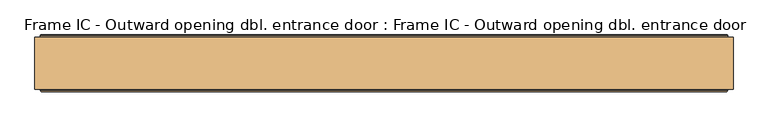
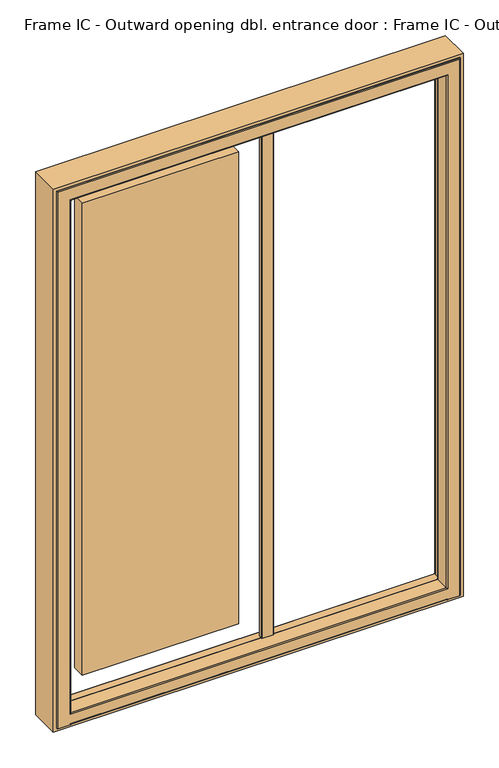
"""IFC4 building model written with IfcOpenShell, lengths in millimetres: door geometry, Frame IC - Outward opening dbl. entrance door : Frame IC - Outward opening dbl. entrance door."""

from ifc_helpers import new_model, si_unit, point, frame, frame_2d, origin, place, context, project, spatial, polyline, circle_curve, ellipse_curve, trimmed, segment, composite_curve, outline, extrude, source, transform, mapped, element, save
from ifc_brep_helpers import plane_surface, cylinder_surface, revolved_surface, advanced_brep


def frame_ic_outward_opening_dbl_entrance_door_frame_ic_outward_d2e0d022(model_context):
    return source(origin(), model_context, "Body", "SolidModel", [
        extrude(outline(polyline([(-189.8540715, 133.0110098), (-762.1459285, 133.0110098), (-762.1459285, 181.0110098), (-189.8540715, 181.0110098), (-189.8540715, 133.0110098)])), frame((0.0, 0.0, 137.8540715), z_axis=(0.0, 0.0, 1.0), x_axis=(1.0, 0.0, 0.0)), (0.0, 0.0, 1.0), 1824.291857),
        extrude(outline(polyline([(2100.0, -900.0), (0.0, -900.0), (0.0, 600.0), (2100.0, 600.0), (2100.0, -900.0)]), holes=[polyline([(2088.0, 588.0), (12.0, 588.0), (12.0, -888.0), (2088.0, -888.0), (2088.0, 588.0)])]), frame((0.0, 77.0, 0.0), z_axis=(0.0, 1.0, 0.0), x_axis=(0.0, 0.0, 1.0)), (0.0, 0.0, 1.0), 112.0),
        extrude(outline(composite_curve([segment(polyline([(-71.9811344, 116.0), (-111.9913987, 116.0)]), True, "CONTINUOUS"), segment(trimmed(circle_curve(frame_2d((-111.9913987, 117.9897357)), 1.9897356), [point((-111.9913987, 116.0))], [point((-113.9811344, 117.9897357))], False, "CARTESIAN"), True, "CONTINUOUS"), segment(polyline([(-113.9811344, 117.9897357), (-113.9811344, 131.0), (-69.9811344, 131.0), (-69.9811344, 118.0)]), True, "CONTINUOUS"), segment(trimmed(circle_curve(frame_2d((-71.9811344, 118.0)), 2.0), [point((-69.9811344, 118.0))], [point((-71.9811344, 116.0))], False, "CARTESIAN"), True, "CONTINUOUS")], self_intersect=False)), frame((0.0, 0.0, 64.4437146), z_axis=(0.0, 0.0, 1.0), x_axis=(1.0, 0.0, 0.0)), (0.0, 0.0, 1.0), 1970.0562854),
        advanced_brep(
        [(562.7857488, 186.453125, 12.0), (563.6, 186.453125, 12.0), (563.6, 193.0, 12.0), (564.6, 194.0, 12.0), (587.0, 194.0, 12.0), (588.0, 193.0, 12.0), (588.0, 75.0, 12.0), (585.0, 72.0, 12.0), (541.0, 72.0, 12.0), (538.0, 75.0, 12.0), (-838.0, 75.0, 12.0), (-841.0, 72.0, 12.0), (-885.0, 72.0, 12.0), (-888.0, 75.0, 12.0), (-888.0, 193.0, 12.0), (-887.0, 194.0, 12.0), (-864.6, 194.0, 12.0), (-863.6, 193.0, 12.0), (-863.6, 186.453125, 12.0), (-862.7857488, 186.453125, 12.0), (-862.7857488, 191.0, 12.0), (562.7857488, 191.0, 12.0), (562.7857488, 186.453125, 31.1912124), (562.7857488, 186.453125, 2062.7857488), (-862.7857488, 186.453125, 2062.7857488), (-862.7857488, 186.453125, 31.1912124), (-863.6, 186.453125, 2063.6), (563.6, 186.453125, 2063.6), (563.6, 193.0, 2063.6), (564.6, 194.0, 2064.6), (-864.6, 194.0, 2064.6), (-887.0, 194.0, 2087.0), (587.0, 194.0, 2087.0), (588.0, 193.0, 2088.0), (588.0, 75.0, 2088.0), (585.0, 72.0, 2085.0), (-885.0, 72.0, 2085.0), (-841.0, 72.0, 15.0), (541.0, 72.0, 15.0), (541.0, 72.0, 2041.0), (541.0, 72.0, 53.0), (-841.0, 72.0, 53.0), (-841.0, 72.0, 2041.0), (538.0, 75.0, 2038.0), (538.0, 75.0, 56.0), (-838.0, 75.0, 2038.0), (-838.0, 75.0, 56.0), (-888.0, 75.0, 2088.0), (-888.0, 193.0, 2088.0), (-863.6, 193.0, 2063.6), (-862.7857488, 191.365608, 30.5880353), (-862.7857488, 194.0, 27.6103969), (-862.7857488, 194.0, 15.0), (562.7857488, 194.0, 15.0), (562.7857488, 194.0, 27.6103969), (562.7857488, 191.365608, 30.5880353), (-854.6498733, 131.0, 2054.6498733), (554.6498733, 131.0, 2054.6498733), (554.6498733, 131.0, 39.3270879), (-854.6498733, 131.0, 39.3270879), (539.5, 131.0, 2039.5), (-839.5, 131.0, 2039.5), (-839.5, 131.0, 54.5), (539.5, 131.0, 54.5), (538.0, 129.5, 2038.0), (538.0, 129.5, 56.0), (-838.0, 129.5, 56.0), (-838.0, 129.5, 2038.0), (556.1386925, 132.317196, 2056.1386925), (556.1386925, 132.317196, 37.8382687), (-856.1386925, 132.317196, 37.8382687), (-856.1386925, 132.317196, 2056.1386925)],
        [
            (0, 1),
            (1, 2),
            (2, 3, circle_curve(frame((564.6, 193.0, 12.0), z_axis=(0.0, 0.0, -1.0), x_axis=(-1.0, 0.0, 0.0)), 1.0)),
            (3, 4),
            (4, 5, circle_curve(frame((587.0, 193.0, 12.0), z_axis=(0.0, 0.0, -1.0), x_axis=(-1.0, 0.0, 0.0)), 1.0)),
            (5, 6),
            (6, 7, circle_curve(frame((585.0, 75.0, 12.0), z_axis=(0.0, 0.0, -1.0), x_axis=(-1.0, 0.0, 0.0)), 3.0)),
            (7, 8),
            (8, 9, circle_curve(frame((541.0, 75.0, 12.0), z_axis=(0.0, 0.0, -1.0), x_axis=(-1.0, 0.0, 0.0)), 3.0)),
            (9, 10),
            (10, 11, circle_curve(frame((-841.0, 75.0, 12.0), z_axis=(0.0, 0.0, -1.0), x_axis=(1.0, 0.0, 0.0)), 3.0)),
            (11, 12),
            (12, 13, circle_curve(frame((-885.0, 75.0, 12.0), z_axis=(0.0, 0.0, -1.0), x_axis=(1.0, 0.0, 0.0)), 3.0)),
            (13, 14),
            (14, 15, circle_curve(frame((-887.0, 193.0, 12.0), z_axis=(0.0, 0.0, -1.0), x_axis=(1.0, 0.0, 0.0)), 1.0)),
            (15, 16),
            (16, 17, circle_curve(frame((-864.6, 193.0, 12.0), z_axis=(0.0, 0.0, -1.0), x_axis=(1.0, 0.0, 0.0)), 1.0)),
            (17, 18),
            (18, 19),
            (19, 20),
            (20, 21),
            (21, 0),
            (0, 22),
            (22, 23),
            (23, 24),
            (24, 25),
            (25, 19),
            (18, 26),
            (26, 27),
            (27, 1),
            (27, 28),
            (28, 2),
            (28, 29, ellipse_curve(frame((564.6, 193.0, 2064.6), z_axis=(0.7071067811865475, 0.0, -0.7071067811865475), x_axis=(-0.7071067811865474, 0.0, -0.7071067811865476)), 1.4142136, 1.0)),
            (29, 3),
            (29, 30),
            (30, 16),
            (15, 31),
            (31, 32),
            (32, 4),
            (32, 33, ellipse_curve(frame((587.0, 193.0, 2087.0), z_axis=(0.7071067811865475, 0.0, -0.7071067811865475), x_axis=(-0.7071067811865474, 0.0, -0.7071067811865476)), 1.4142136, 1.0)),
            (33, 5),
            (33, 34),
            (34, 6),
            (34, 35, ellipse_curve(frame((585.0, 75.0, 2085.0), z_axis=(0.7071067811865475, 0.0, -0.7071067811865475), x_axis=(-0.7071067811865474, 0.0, -0.7071067811865476)), 4.2426407, 3.0)),
            (35, 7),
            (35, 36),
            (36, 12),
            (11, 37),
            (37, 38),
            (38, 8),
            (39, 40),
            (40, 41),
            (41, 42),
            (42, 39),
            (38, 9, ellipse_curve(frame((541.0, 75.0, 15.0), z_axis=(0.7071067811865475, 0.0, -0.7071067811865475), x_axis=(-0.7071067811865474, 0.0, -0.7071067811865476)), 4.2426407, 3.0)),
            (39, 43, ellipse_curve(frame((541.0, 75.0, 2041.0), z_axis=(0.7071067811865475, 0.0, -0.7071067811865475), x_axis=(-0.7071067811865474, 0.0, -0.7071067811865476)), 4.2426407, 3.0)),
            (43, 44),
            (44, 40, ellipse_curve(frame((541.0, 75.0, 53.0), z_axis=(0.7071067811865475, 0.0, 0.7071067811865475), x_axis=(0.7071067811865474, 0.0, -0.7071067811865476)), 4.2426407, 3.0)),
            (37, 10, ellipse_curve(frame((-841.0, 75.0, 15.0), z_axis=(0.7071067811865475, 0.0, 0.7071067811865475), x_axis=(-0.7071067811865476, 0.0, 0.7071067811865474)), 4.2426407, 3.0)),
            (45, 42, ellipse_curve(frame((-841.0, 75.0, 2041.0), z_axis=(-0.7071067811865475, 0.0, -0.7071067811865475), x_axis=(-0.7071067811865474, 0.0, 0.7071067811865476)), 4.2426407, 3.0)),
            (41, 46, ellipse_curve(frame((-841.0, 75.0, 53.0), z_axis=(-0.7071067811865475, 0.0, 0.7071067811865475), x_axis=(0.7071067811865474, 0.0, 0.7071067811865476)), 4.2426407, 3.0)),
            (46, 45),
            (36, 47, ellipse_curve(frame((-885.0, 75.0, 2085.0), z_axis=(-0.7071067811865475, 0.0, -0.7071067811865475), x_axis=(-0.7071067811865474, 0.0, 0.7071067811865476)), 4.2426407, 3.0)),
            (47, 13),
            (47, 48),
            (48, 14),
            (48, 31, ellipse_curve(frame((-887.0, 193.0, 2087.0), z_axis=(-0.7071067811865475, 0.0, -0.7071067811865475), x_axis=(-0.7071067811865474, 0.0, 0.7071067811865476)), 1.4142136, 1.0)),
            (30, 49, ellipse_curve(frame((-864.6, 193.0, 2064.6), z_axis=(-0.7071067811865475, 0.0, -0.7071067811865475), x_axis=(-0.7071067811865474, 0.0, 0.7071067811865476)), 1.4142136, 1.0)),
            (49, 17),
            (49, 26),
            (50, 51, circle_curve(frame((-862.7857488, 191.0, 27.6103969), z_axis=(-1.0, 0.0, 0.0), x_axis=(0.0, -1.0, 0.0)), 3.0)),
            (51, 52),
            (52, 20, circle_curve(frame((-862.7857488, 191.0, 15.0), z_axis=(-1.0, 0.0, 0.0), x_axis=(0.0, -1.0, 0.0)), 3.0)),
            (25, 50),
            (52, 53),
            (53, 21, circle_curve(frame((562.7857488, 191.0, 15.0), z_axis=(-1.0, 0.0, 0.0), x_axis=(0.0, -1.0, 0.0)), 3.0)),
            (53, 54),
            (54, 55, circle_curve(frame((562.7857488, 191.0, 27.6103969), z_axis=(1.0, 0.0, 0.0), x_axis=(0.0, -1.0, 0.0)), 3.0)),
            (55, 22),
            (56, 57),
            (57, 58),
            (58, 59),
            (59, 56),
            (60, 61),
            (61, 62),
            (62, 63),
            (63, 60),
            (64, 60, ellipse_curve(frame((539.5, 129.5, 2039.5), z_axis=(0.7071067811865475, 0.0, -0.7071067811865475), x_axis=(-0.7071067811865474, 0.0, -0.7071067811865476)), 2.1213203, 1.5)),
            (63, 65, ellipse_curve(frame((539.5, 129.5, 54.5), z_axis=(0.7071067811865475, 0.0, 0.7071067811865475), x_axis=(0.7071067811865474, 0.0, -0.7071067811865476)), 2.1213203, 1.5)),
            (65, 64),
            (62, 66, ellipse_curve(frame((-839.5, 129.5, 54.5), z_axis=(0.7071067811865475, 0.0, -0.7071067811865475), x_axis=(-0.7071067811865476, 0.0, -0.7071067811865474)), 2.1213203, 1.5)),
            (66, 65),
            (43, 64),
            (65, 44),
            (61, 67, ellipse_curve(frame((-839.5, 129.5, 2039.5), z_axis=(-0.7071067811865475, 0.0, -0.7071067811865475), x_axis=(-0.7071067811865474, 0.0, 0.7071067811865476)), 2.1213203, 1.5)),
            (67, 66),
            (57, 68, ellipse_curve(frame((554.6498733, 132.5, 2054.6498733), z_axis=(-0.7071067811865475, 0.0, 0.7071067811865475), x_axis=(0.7071067811865474, 0.0, 0.7071067811865476)), 2.1213203, 1.5)),
            (68, 69),
            (69, 58, ellipse_curve(frame((554.6498733, 132.5, 39.3270879), z_axis=(-0.7071067811865475, 0.0, -0.7071067811865475), x_axis=(-0.7071067811865474, 0.0, 0.7071067811865476)), 2.1213203, 1.5)),
            (69, 70),
            (70, 59, ellipse_curve(frame((-854.6498733, 132.5, 39.3270879), z_axis=(-0.7071067811865475, 0.0, 0.7071067811865475), x_axis=(0.7071067811865476, 0.0, 0.7071067811865474)), 2.1213203, 1.5)),
            (71, 56, ellipse_curve(frame((-854.6498733, 132.5, 2054.6498733), z_axis=(0.7071067811865475, 0.0, 0.7071067811865475), x_axis=(0.7071067811865474, 0.0, -0.7071067811865476)), 2.1213203, 1.5)),
            (70, 71),
            (68, 23),
            (22, 69),
            (55, 50),
            (25, 70),
            (24, 71),
            (44, 46),
            (66, 46),
            (67, 45),
            (54, 51),
            (64, 67),
            (71, 68),
            (49, 28),
            (48, 33),
            (47, 34),
            (45, 43),
        ],
        [
            plane_surface(frame((588.0, 204.0, 12.0), z_axis=(0.0, 0.0, -1.0), x_axis=(0.0, -1.0, 0.0))),
            plane_surface(frame((562.7857488, 186.453125, 12.0), z_axis=(0.0, 1.0, 0.0), x_axis=(0.0, 0.0, 1.0))),
            plane_surface(frame((563.6, 186.453125, 12.0), z_axis=(-1.0, 0.0, 0.0), x_axis=(0.0, 0.0, 1.0))),
            cylinder_surface(frame((564.6, 193.0, 12.0), z_axis=(0.0, 0.0, -1.0), x_axis=(-1.0, 0.0, 0.0)), 1.0),
            plane_surface(frame((564.6, 194.0, 12.0), z_axis=(0.0, 1.0, 0.0), x_axis=(0.0, 0.0, 1.0))),
            cylinder_surface(frame((587.0, 193.0, 12.0), z_axis=(0.0, 0.0, -1.0), x_axis=(-1.0, 0.0, 0.0)), 1.0),
            plane_surface(frame((588.0, 193.0, 12.0), z_axis=(1.0, 0.0, 0.0), x_axis=(0.0, 0.0, 1.0))),
            cylinder_surface(frame((585.0, 75.0, 12.0), z_axis=(0.0, 0.0, -1.0), x_axis=(-1.0, 0.0, 0.0)), 3.0),
            plane_surface(frame((585.0, 72.0, 12.0), z_axis=(0.0, -1.0, 0.0), x_axis=(0.0, 0.0, 1.0))),
            cylinder_surface(frame((541.0, 75.0, 12.0), z_axis=(0.0, 0.0, -1.0), x_axis=(-1.0, 0.0, 0.0)), 3.0),
            cylinder_surface(frame((562.7857488, 75.0, 15.0), z_axis=(-1.0, 0.0, 0.0), x_axis=(0.0, -1.0, 0.0)), 3.0),
            cylinder_surface(frame((-841.0, 75.0, 2088.0), z_axis=(0.0, 0.0, 1.0), x_axis=(1.0, 0.0, 0.0)), 3.0),
            cylinder_surface(frame((-885.0, 75.0, 2088.0), z_axis=(0.0, 0.0, 1.0), x_axis=(1.0, 0.0, 0.0)), 3.0),
            plane_surface(frame((-888.0, 193.0, 2088.0), z_axis=(-1.0, 0.0, 0.0), x_axis=(0.0, 0.0, -1.0))),
            cylinder_surface(frame((-887.0, 193.0, 2088.0), z_axis=(0.0, 0.0, 1.0), x_axis=(1.0, 0.0, 0.0)), 1.0),
            cylinder_surface(frame((-864.6, 193.0, 2088.0), z_axis=(0.0, 0.0, 1.0), x_axis=(1.0, 0.0, 0.0)), 1.0),
            plane_surface(frame((-863.6, 186.453125, 2063.6), z_axis=(1.0, 0.0, 0.0), x_axis=(0.0, 0.0, -1.0))),
            plane_surface(frame((-862.7857488, 191.365608, 30.5880353), z_axis=(-1.0000000000000002, 0.0, 0.0), x_axis=(0.0, 0.9925461516413244, -0.12186934340512871))),
            cylinder_surface(frame((562.7857488, 191.0, 15.0), z_axis=(-1.0, 0.0, 0.0), x_axis=(0.0, -1.0, 0.0)), 3.0),
            plane_surface(frame((562.7857488, 191.365608, 30.5880353), z_axis=(1.0000000000000002, 0.0, 0.0), x_axis=(0.0, -0.9925461516413244, 0.12186934340512871))),
            plane_surface(frame((539.5, 131.0, 12.0), z_axis=(0.0, 1.0, 0.0), x_axis=(0.0, 0.0, 1.0))),
            cylinder_surface(frame((539.5, 129.5, 12.0), z_axis=(0.0, 0.0, -1.0), x_axis=(-1.0, 0.0, 0.0)), 1.5),
            cylinder_surface(frame((562.7857488, 129.5, 54.5), z_axis=(-1.0, 0.0, 0.0), x_axis=(0.0, -1.0, 0.0)), 1.5),
            plane_surface(frame((538.0, 75.0, 12.0), z_axis=(-1.0, 0.0, 0.0), x_axis=(0.0, 0.0, 1.0))),
            cylinder_surface(frame((-839.5, 129.5, 2088.0), z_axis=(0.0, 0.0, 1.0), x_axis=(1.0, 0.0, 0.0)), 1.5),
            revolved_surface(polyline([(553.1498733, 132.5, 2056.1498732691985), (553.1498733, 132.5, 37.82708793080132)]), (554.6498733, 132.5, 12.0), (0.0, 0.0, 1.0)),
            revolved_surface(polyline([(556.1498732691987, 131.0, 39.3270879), (-856.1498732691985, 131.0, 39.3270879)]), (562.7857488, 132.5, 39.3270879), (1.0, 0.0, 0.0)),
            revolved_surface(polyline([(-853.1498733, 132.5, 37.827087930801554), (-853.1498733, 132.5, 2056.1498732691985)]), (-854.6498733, 132.5, 2088.0), (0.0, 0.0, -1.0)),
            plane_surface(frame((556.1386925, 132.317196, 12.0), z_axis=(-0.9925461516413233, 0.12186934340513725, 0.0), x_axis=(0.0, 0.0, 1.0))),
            plane_surface(frame((-862.7857488, 132.317196, 37.8382687), z_axis=(0.0, 0.12186934340512871, 0.9925461516413244), x_axis=(1.0, 0.0, 0.0))),
            plane_surface(frame((-856.1386925, 132.317196, 2056.1386925), z_axis=(0.9925461516413242, 0.12186934340513084, 0.0), x_axis=(0.0, 0.0, -1.0))),
            cylinder_surface(frame((562.7857488, 75.0, 53.0), z_axis=(-1.0, 0.0, 0.0), x_axis=(0.0, -1.0, 0.0)), 3.0),
            plane_surface(frame((-862.7857488, 75.0, 56.0), z_axis=(0.0, 0.0, 1.0), x_axis=(1.0, 0.0, 0.0))),
            plane_surface(frame((-838.0, 75.0, 2038.0), z_axis=(1.0, 0.0, 0.0), x_axis=(0.0, 0.0, -1.0))),
            cylinder_surface(frame((562.7857488, 191.0, 27.6103969), z_axis=(-1.0, 0.0, 0.0), x_axis=(0.0, -1.0, 0.0)), 3.0),
            plane_surface(frame((-862.7857488, 194.0, 27.6103969), z_axis=(0.0, 1.0, 0.0), x_axis=(1.0, 0.0, 0.0))),
            cylinder_surface(frame((588.0, 129.5, 2039.5), z_axis=(1.0, 0.0, 0.0), x_axis=(0.0, 0.0, -1.0)), 1.5),
            revolved_surface(polyline([(-856.1498732691985, 132.5, 2053.1498733), (556.1498732691987, 132.5, 2053.1498733)]), (588.0, 132.5, 2054.6498733), (-1.0, 0.0, 0.0)),
            plane_surface(frame((556.1386925, 132.317196, 2056.1386925), z_axis=(0.0, 0.12186934340513404, -0.9925461516413238), x_axis=(-1.0, 0.0, 0.0))),
            plane_surface(frame((563.6, 186.453125, 2063.6), z_axis=(0.0, 0.0, -1.0), x_axis=(-1.0, 0.0, 0.0))),
            cylinder_surface(frame((588.0, 193.0, 2064.6), z_axis=(1.0, 0.0, 0.0), x_axis=(0.0, 0.0, -1.0)), 1.0),
            cylinder_surface(frame((588.0, 193.0, 2087.0), z_axis=(1.0, 0.0, 0.0), x_axis=(0.0, 0.0, -1.0)), 1.0),
            plane_surface(frame((588.0, 193.0, 2088.0), z_axis=(0.0, 0.0, 1.0), x_axis=(-1.0, 0.0, 0.0))),
            cylinder_surface(frame((588.0, 75.0, 2085.0), z_axis=(1.0, 0.0, 0.0), x_axis=(0.0, 0.0, -1.0)), 3.0),
            cylinder_surface(frame((588.0, 75.0, 2041.0), z_axis=(1.0, 0.0, 0.0), x_axis=(0.0, 0.0, -1.0)), 3.0),
            plane_surface(frame((538.0, 75.0, 2038.0), z_axis=(0.0, 0.0, -1.0), x_axis=(-1.0, 0.0, 0.0))),
        ],
        [
            (0, [[1, 2, 3, 4, 5, 6, 7, 8, 9, 10, 11, 12, 13, 14, 15, 16, 17, 18, 19, 20, 21, 22]]),
            (1, [[-1, 23, 24, 25, 26, 27, -19, 28, 29, 30]]),
            (2, [[-2, -30, 31, 32]]),
            (3, [[-3, -32, 33, 34]]),
            (4, [[-4, -34, 35, 36, -16, 37, 38, 39]]),
            (5, [[-5, -39, 40, 41]]),
            (6, [[-6, -41, 42, 43]]),
            (7, [[-7, -43, 44, 45]]),
            (8, [[-8, -45, 46, 47, -12, 48, 49, 50], [51, 52, 53, 54]]),
            (9, [[-9, -50, 55]]),
            (9, [[56, 57, 58, -51]]),
            (10, [[-10, -55, -49, 59]]),
            (11, [[-11, -59, -48]]),
            (11, [[60, -53, 61, 62]]),
            (12, [[-47, 63, 64, -13]]),
            (13, [[65, 66, -14, -64]]),
            (14, [[-37, -15, -66, 67]]),
            (15, [[-36, 68, 69, -17]]),
            (16, [[-28, -18, -69, 70]]),
            (17, [[71, 72, 73, -20, -27, 74]]),
            (18, [[-73, 75, 76, -21]]),
            (19, [[-76, 77, 78, 79, -23, -22]]),
            (20, [[80, 81, 82, 83], [84, 85, 86, 87]]),
            (21, [[88, -87, 89, 90]]),
            (22, [[-86, 91, 92, -89]]),
            (23, [[93, -90, 94, -57]]),
            (24, [[95, 96, -91, -85]]),
            (25, [[-81, 97, 98, 99]]),
            (26, [[-82, -99, 100, 101]]),
            (27, [[102, -83, -101, 103]]),
            (28, [[104, -24, 105, -98]]),
            (29, [[106, -74, 107, -100, -105, -79]]),
            (30, [[108, -103, -107, -26]]),
            (31, [[-52, -58, 109, -61]]),
            (32, [[-92, 110, -109, -94]]),
            (33, [[111, -62, -110, -96]]),
            (34, [[-71, -106, -78, 112]]),
            (35, [[-72, -112, -77, -75]]),
            (36, [[-88, 113, -95, -84]]),
            (37, [[-80, -102, 114, -97]]),
            (38, [[-104, -114, -108, -25]]),
            (39, [[-29, -70, 115, -31]]),
            (40, [[-33, -115, -68, -35]]),
            (41, [[-38, -67, 116, -40]]),
            (42, [[-42, -116, -65, 117]]),
            (43, [[-44, -117, -63, -46]]),
            (44, [[-54, -60, 118, -56]]),
            (45, [[-93, -118, -111, -113]]),
        ],
    ),
    ])


if __name__ == "__main__":
    model = new_model("IFC4")
    model_context = context("Model", 3, world=origin())
    ifc_project = project(units=[si_unit("LENGTHUNIT", "METRE", prefix="MILLI")], contexts=[model_context])
    site = spatial("IfcSite", under=ifc_project)
    building = spatial("IfcBuilding", under=site)
    placement = place(None, origin())
    frame_ic_outward_opening_dbl_entrance_door_frame_ic_outward_shape = frame_ic_outward_opening_dbl_entrance_door_frame_ic_outward_d2e0d022(model_context)
    element("IfcDoor", 1, ObjectType="Frame IC - Outward opening dbl. entrance door : Frame IC - Outward opening dbl. entrance door", at=placement, inside=building, context=model_context, shape_type="MappedRepresentation", body=[
        mapped(frame_ic_outward_opening_dbl_entrance_door_frame_ic_outward_shape, transform((0.0, 0.0, 0.0), x_axis=(1.0, 0.0, 0.0), y_axis=(0.0, 1.0, 0.0), z_axis=(0.0, 0.0, 1.0))),
    ])
    save(model, "model.ifc")
